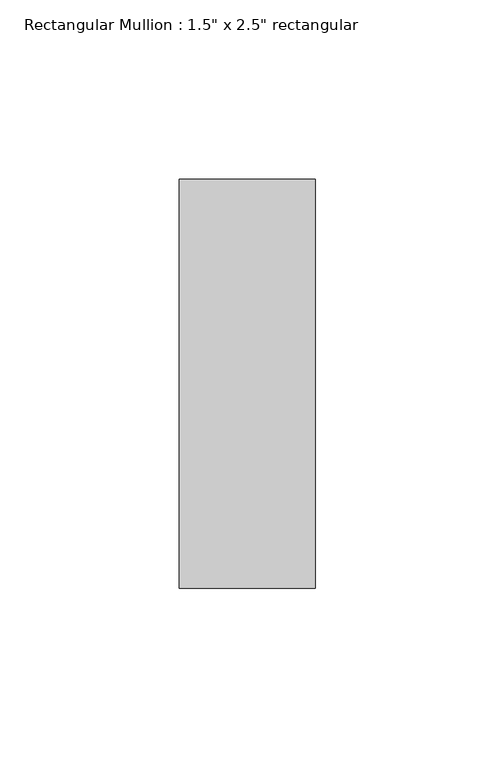
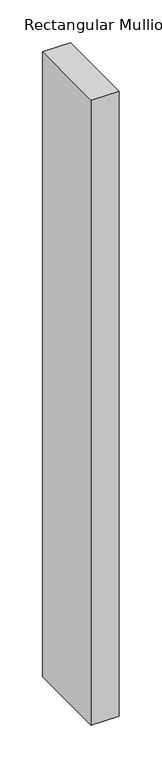
"""IFC4 building model written with IfcOpenShell, lengths in millimetres: member geometry."""

from ifc_helpers import new_model, si_unit, frame, origin, place, context, project, spatial, polyline, outline, extrude, source, transform, mapped, element, save


def member_f6051299(model_context):
    return source(origin(), model_context, "Body", "SweptSolid", [
        extrude(outline(polyline([(19.05, 57.15), (19.05, -57.15), (-19.05, -57.15), (-19.05, 57.15), (19.05, 57.15)])), frame((0.0, 0.0, -895.3219951), z_axis=(0.0, 0.0, 1.0), x_axis=(1.0, 0.0, 0.0)), (0.0, 0.0, 1.0), 895.3219951),
    ])


if __name__ == "__main__":
    model = new_model("IFC4")
    model_context = context("Model", 3, world=origin())
    ifc_project = project(units=[si_unit("LENGTHUNIT", "METRE", prefix="MILLI")], contexts=[model_context])
    site = spatial("IfcSite", under=ifc_project)
    building = spatial("IfcBuilding", under=site)
    placement = place(None, origin())
    member_shape = member_f6051299(model_context)
    element("IfcMember", 1, ObjectType="Rectangular Mullion : 1.5\" x 2.5\" rectangular", at=placement, inside=building, context=model_context, shape_type="MappedRepresentation", body=[
        mapped(member_shape, transform((0.0, 0.0, 0.0), x_axis=(1.0, 0.0, 0.0), y_axis=(0.0, 1.0, 0.0), z_axis=(0.0, 0.0, 1.0))),
    ])
    save(model, "model.ifc")
